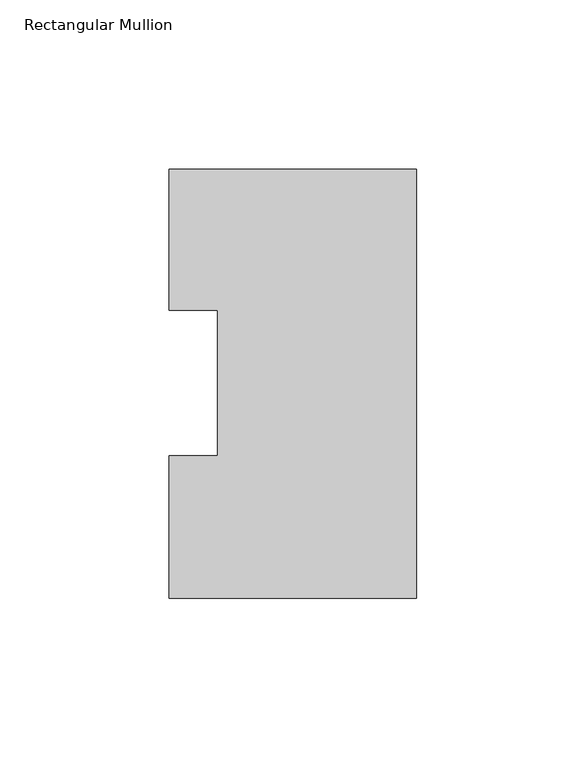
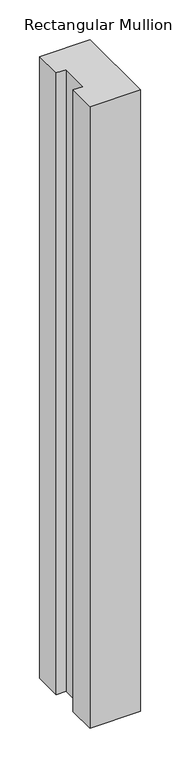
"""IFC4 building model written with IfcOpenShell, lengths in millimetres: member geometry, Rectangular Mullion."""

from ifc_helpers import new_model, si_unit, frame, origin, place, context, project, spatial, polyline, outline, extrude, source, transform, mapped, element, save


def rectangular_mullion_b3638680(model_context):
    return source(origin(), model_context, "Body", "SweptSolid", [
        extrude(outline(polyline([(0.0, 126.7348875), (0.0, 0.2428875), (-73.025, 0.2428875), (-73.025, 42.2798875), (-58.7375, 42.2798875), (-58.7375, 85.1296875), (-73.025, 85.1296875), (-73.025, 126.7348875), (0.0, 126.7348875)])), frame((0.0, 0.0, -952.5), z_axis=(0.0, 0.0, 1.0), x_axis=(1.0, 0.0, 0.0)), (0.0, 0.0, 1.0), 952.5),
    ])


if __name__ == "__main__":
    model = new_model("IFC4")
    model_context = context("Model", 3, world=origin())
    ifc_project = project(units=[si_unit("LENGTHUNIT", "METRE", prefix="MILLI")], contexts=[model_context])
    site = spatial("IfcSite", under=ifc_project)
    building = spatial("IfcBuilding", under=site)
    placement = place(None, origin())
    rectangular_mullion_shape = rectangular_mullion_b3638680(model_context)
    element("IfcMember", 1, ObjectType="Rectangular Mullion", at=placement, inside=building, context=model_context, shape_type="MappedRepresentation", body=[
        mapped(rectangular_mullion_shape, transform((0.0, 0.0, 0.0), x_axis=(1.0, 0.0, 0.0), y_axis=(0.0, 1.0, 0.0), z_axis=(0.0, 0.0, 1.0))),
    ])
    save(model, "model.ifc")
